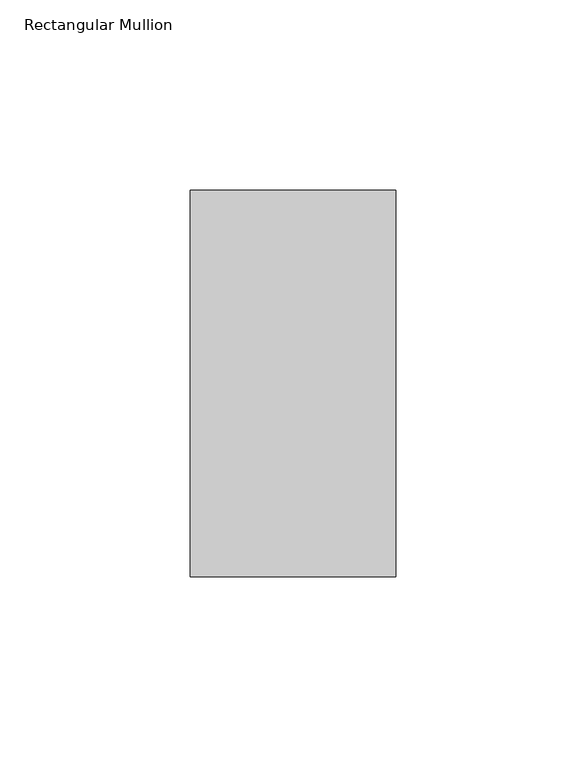
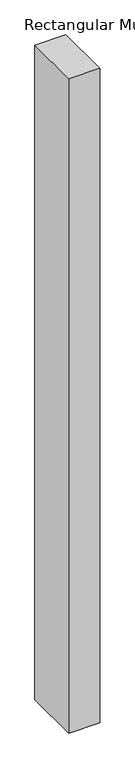
"""IFC4 building model written with IfcOpenShell, lengths in millimetres: member geometry, Rectangular Mullion."""

from ifc_helpers import new_model, si_unit, frame, origin, place, context, project, spatial, polyline, outline, extrude, source, transform, mapped, element, save


def rectangular_mullion_bd5bf7cd(model_context):
    return source(origin(), model_context, "Body", "SweptSolid", [
        extrude(outline(polyline([(-53.978302, 50.8), (0.0, 50.8), (0.0, -50.8), (-53.978302, -50.8), (-53.978302, 50.8)])), frame((0.0, 0.0, -1201.3094027), z_axis=(0.0, 0.0, 1.0), x_axis=(1.0, 0.0, 0.0)), (0.0, 0.0, 1.0), 1201.3094027),
    ])


if __name__ == "__main__":
    model = new_model("IFC4")
    model_context = context("Model", 3, world=origin())
    ifc_project = project(units=[si_unit("LENGTHUNIT", "METRE", prefix="MILLI")], contexts=[model_context])
    site = spatial("IfcSite", under=ifc_project)
    building = spatial("IfcBuilding", under=site)
    placement = place(None, origin())
    rectangular_mullion_shape = rectangular_mullion_bd5bf7cd(model_context)
    element("IfcMember", 1, ObjectType="Rectangular Mullion", at=placement, inside=building, context=model_context, shape_type="MappedRepresentation", body=[
        mapped(rectangular_mullion_shape, transform((0.0, 0.0, 0.0), x_axis=(1.0, 0.0, 0.0), y_axis=(0.0, 1.0, 0.0), z_axis=(0.0, 0.0, 1.0))),
    ])
    save(model, "model.ifc")
